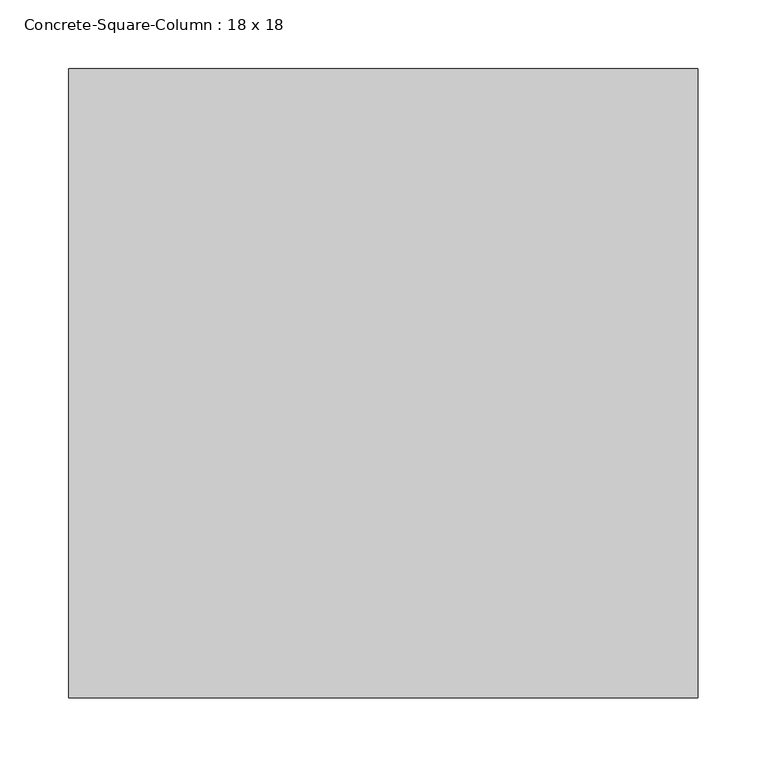
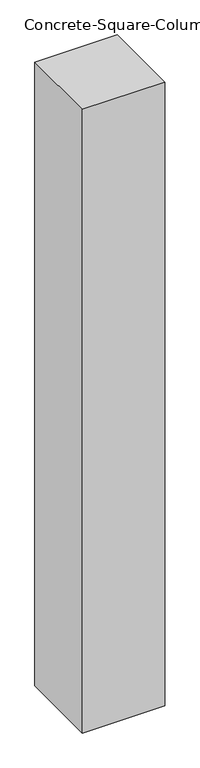
"""IFC4 building model written with IfcOpenShell, lengths in millimetres: column geometry, Concrete-Square-Column : 18 x 18."""

from ifc_helpers import new_model, si_unit, frame, origin, place, context, project, spatial, polyline, outline, extrude, source, transform, mapped, element, save


def concrete_square_column_18_x_18_a9bd528f(model_context):
    return source(origin(), model_context, "Body", "SweptSolid", [
        extrude(outline(polyline([(228.6, 228.6), (228.6, -228.6), (-228.6, -228.6), (-228.6, 228.6), (228.6, 228.6)])), frame((0.0, 0.0, 39776.4), z_axis=(0.0, 0.0, 1.0), x_axis=(1.0, 0.0, 0.0)), (0.0, 0.0, 1.0), 3657.6),
    ])


if __name__ == "__main__":
    model = new_model("IFC4")
    model_context = context("Model", 3, world=origin())
    ifc_project = project(units=[si_unit("LENGTHUNIT", "METRE", prefix="MILLI")], contexts=[model_context])
    site = spatial("IfcSite", under=ifc_project)
    building = spatial("IfcBuilding", under=site)
    placement = place(None, origin())
    concrete_square_column_18_x_18_shape = concrete_square_column_18_x_18_a9bd528f(model_context)
    element("IfcColumn", 1, ObjectType="Concrete-Square-Column : 18 x 18", at=placement, inside=building, context=model_context, shape_type="MappedRepresentation", body=[
        mapped(concrete_square_column_18_x_18_shape, transform((0.0, 0.0, 0.0), x_axis=(1.0, 0.0, 0.0), y_axis=(0.0, 1.0, 0.0), z_axis=(0.0, 0.0, 1.0))),
    ])
    save(model, "model.ifc")
